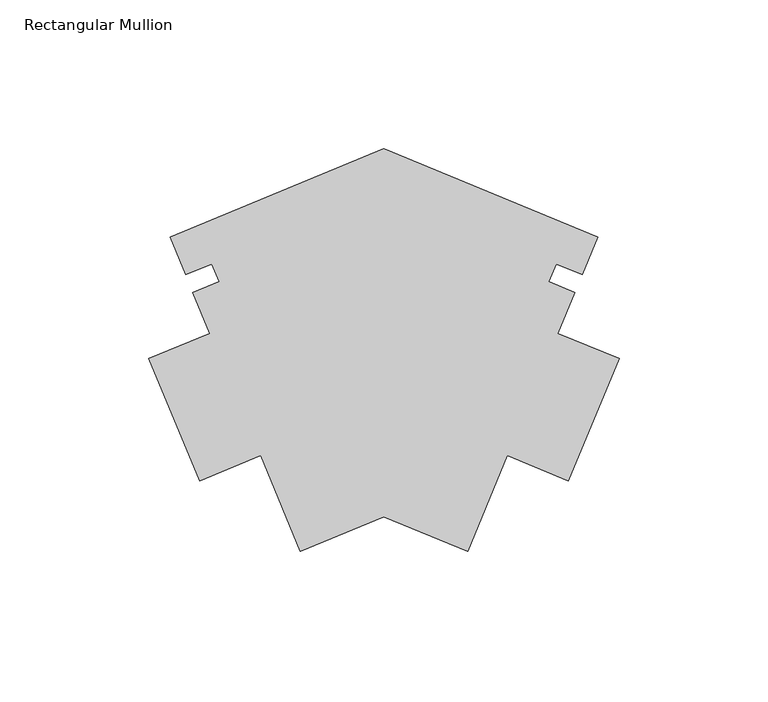
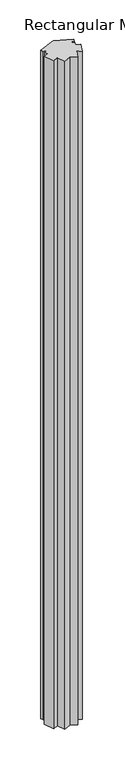
"""IFC4 building model written with IfcOpenShell, lengths in millimetres: member geometry, Rectangular Mullion."""

from ifc_helpers import new_model, si_unit, frame, origin, place, context, project, spatial, polyline, outline, extrude, source, transform, mapped, element, save


def rectangular_mullion_1047baf5(model_context):
    return source(origin(), model_context, "Body", "SweptSolid", [
        extrude(outline(polyline([(-78.9510392, 2.9280963), (-7.1534234, -26.8114499), (-12.3651164, -39.3935898), (-21.165069, -35.7485304), (-23.6296414, -41.6985344), (-14.8296889, -45.3435941), (-20.5332225, -59.1131424), (0.0, -67.6182816), (-17.0102786, -108.6847268), (-37.5435011, -100.1795876), (-50.8941397, -132.4108805), (-78.9510392, -120.7893322), (-107.0079386, -132.4108805), (-120.3585773, -100.1795876), (-140.8917998, -108.6847268), (-157.9020783, -67.6182816), (-137.4151567, -59.1323208), (-143.2388563, -45.4125477), (-134.2724368, -41.6985348), (-136.7370093, -35.7485304), (-145.5369617, -39.3935904), (-150.748655, -26.8114499), (-78.9510392, 2.9280963)])), frame((0.0, 0.0, -3048.0), z_axis=(0.0, 0.0, 1.0), x_axis=(1.0, 0.0, 0.0)), (0.0, 0.0, 1.0), 3048.0),
    ])


if __name__ == "__main__":
    model = new_model("IFC4")
    model_context = context("Model", 3, world=origin())
    ifc_project = project(units=[si_unit("LENGTHUNIT", "METRE", prefix="MILLI")], contexts=[model_context])
    site = spatial("IfcSite", under=ifc_project)
    building = spatial("IfcBuilding", under=site)
    placement = place(None, origin())
    rectangular_mullion_shape = rectangular_mullion_1047baf5(model_context)
    element("IfcMember", 1, ObjectType="Rectangular Mullion", at=placement, inside=building, context=model_context, shape_type="MappedRepresentation", body=[
        mapped(rectangular_mullion_shape, transform((0.0, 0.0, 0.0), x_axis=(1.0, 0.0, 0.0), y_axis=(0.0, 1.0, 0.0), z_axis=(0.0, 0.0, 1.0))),
    ])
    save(model, "model.ifc")
